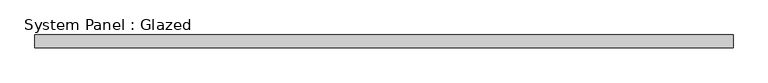
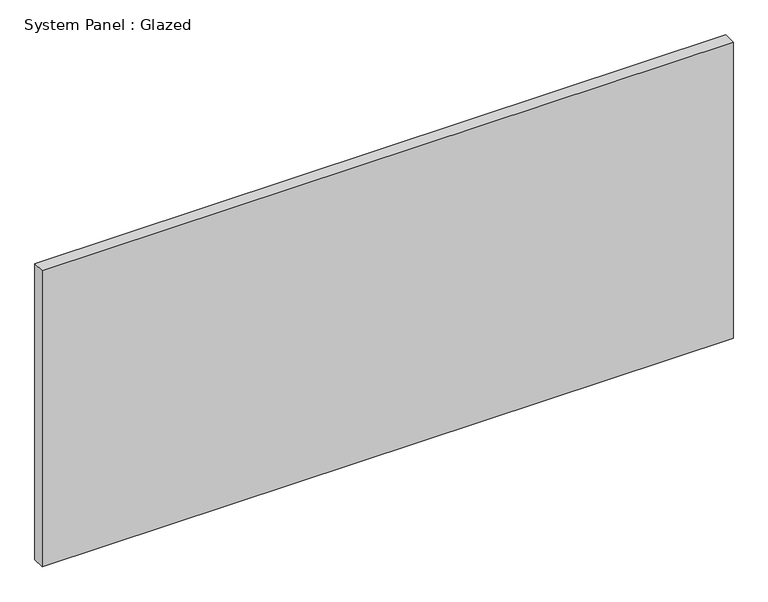
"""IFC4 building model written with IfcOpenShell, lengths in millimetres: plate geometry, System Panel : Glazed."""

from ifc_helpers import new_model, si_unit, origin, origin_with_axes, place, context, project, spatial, polyline, outline, extrude, source, transform, mapped, element, save


def system_panel_glazed_f085bb70(model_context):
    return source(origin(), model_context, "Body", "SweptSolid", [
        extrude(outline(polyline([(690.0, -49.5), (-690.0, -49.5), (-690.0, -24.5), (690.0, -24.5), (690.0, -49.5)])), origin_with_axes(), (0.0, 0.0, 1.0), 625.0),
    ])


if __name__ == "__main__":
    model = new_model("IFC4")
    model_context = context("Model", 3, world=origin())
    ifc_project = project(units=[si_unit("LENGTHUNIT", "METRE", prefix="MILLI")], contexts=[model_context])
    site = spatial("IfcSite", under=ifc_project)
    building = spatial("IfcBuilding", under=site)
    placement = place(None, origin())
    system_panel_glazed_shape = system_panel_glazed_f085bb70(model_context)
    element("IfcPlate", 1, ObjectType="System Panel : Glazed", at=placement, inside=building, context=model_context, shape_type="MappedRepresentation", body=[
        mapped(system_panel_glazed_shape, transform((0.0, 0.0, 0.0), x_axis=(1.0, 0.0, 0.0), y_axis=(0.0, 1.0, 0.0), z_axis=(0.0, 0.0, 1.0))),
    ])
    save(model, "model.ifc")
